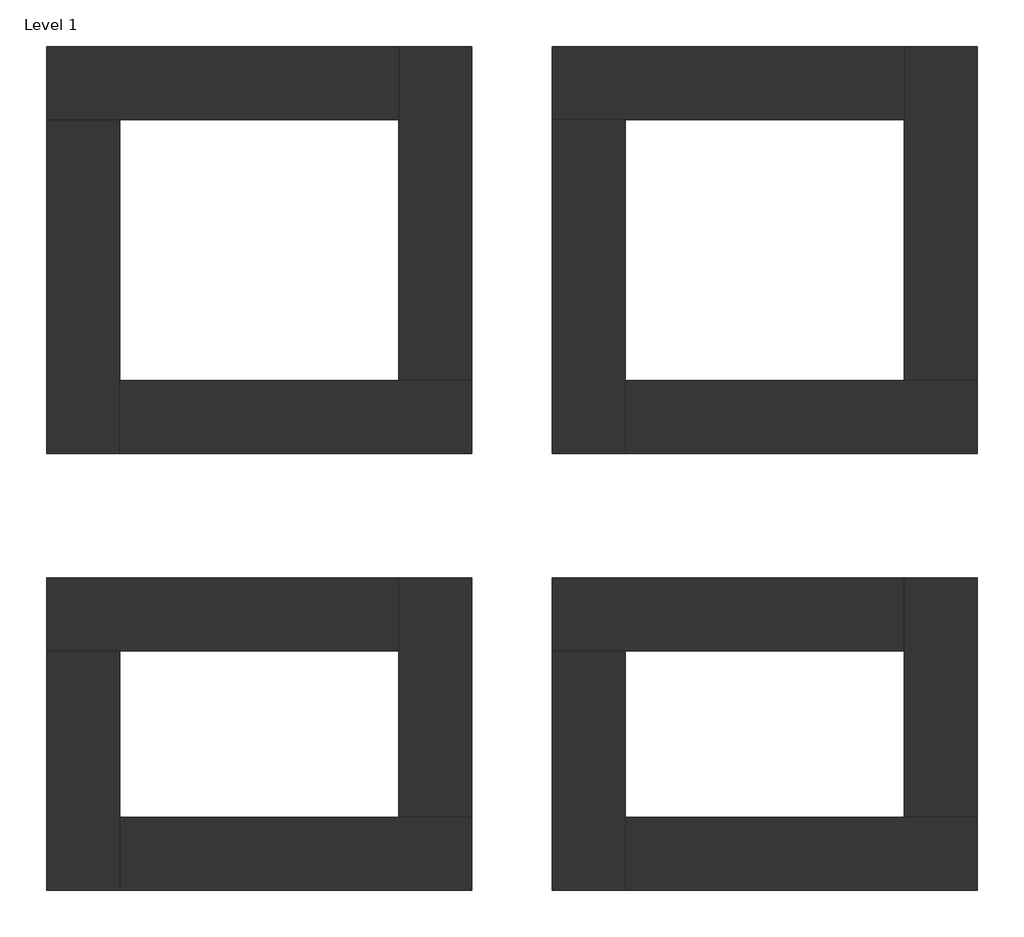
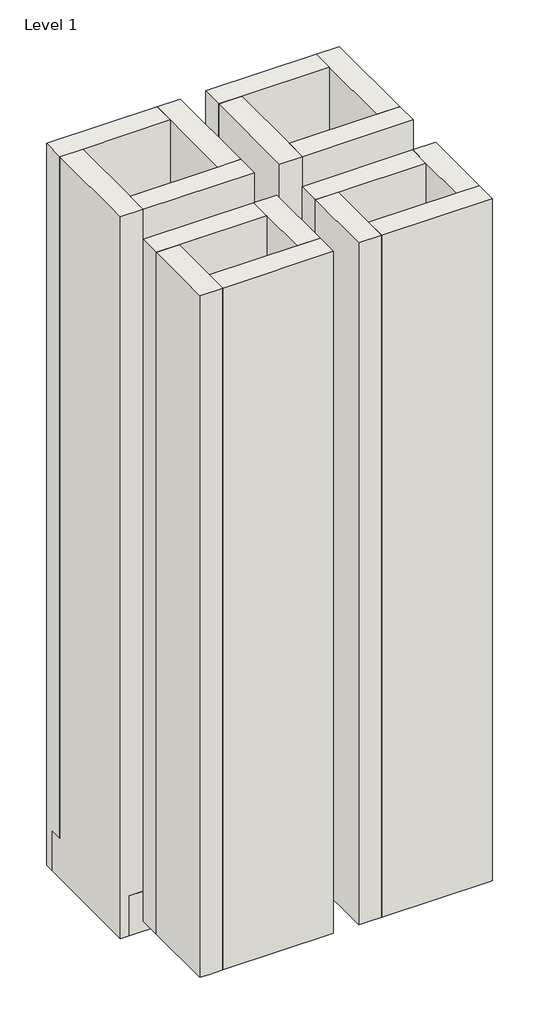
# One storey: 16 walls.
"""IFC4 building model written with IfcOpenShell, lengths in millimetres."""

from ifc_helpers import new_model, si_unit, origin, place, context, project, spatial, faceted_brep, element, save

model = new_model("IFC4")

# Units and contexts
model_context = context("Model", 3, world=origin())
ifc_project = project(units=[si_unit("LENGTHUNIT", "METRE", prefix="MILLI")], contexts=[model_context])

# Site, building, storey
site = spatial("IfcSite", under=ifc_project)
building = spatial("IfcBuilding", under=site)
storey = spatial("IfcBuildingStorey", under=building, Name="Level 1", Elevation=0.0)

# Walls
placement = place(None, origin())
element("IfcWall", 1, ObjectType="Exterior - 3.5\" - Stone", at=placement, inside=storey, context=model_context, shape_type="Brep", body=[
    faceted_brep([(2419.35, 3332.6145134, 0.0), (2584.45, 3332.6145134, 0.0), (3214.884458, 3332.6145134, 0.0), (3214.884458, 3332.6145134, 5181.6), (2584.45, 3332.6145134, 5181.6), (2419.35, 3332.6145134, 5181.6), (2419.35, 3497.7145134, 5181.6), (3214.884458, 3497.7145134, 5181.6), (3214.884458, 3497.7145134, 0.0), (3316.484458, 3497.7145134, 0.0), (3316.484458, 3497.7145134, -304.8), (2419.35, 3497.7145134, -304.8), (2419.35, 3434.2145134, -304.8), (2419.35, 3434.2145134, 0.0), (3214.884458, 3434.2145134, 0.0), (2482.85, 3434.2145134, 0.0), (2482.85, 3434.2145134, -304.8), (3316.484458, 3434.2145134, -304.8), (3316.484458, 3434.2145134, 0.0)], [[[0, 1, 2, 3, 4, 5]], [[6, 7, 8, 9, 10, 11]], [[5, 4, 3, 7, 6]], [[0, 5, 6, 11, 12, 13]], [[3, 2, 14, 8, 7]], [[2, 1, 0, 13, 15, 14]], [[14, 15, 13, 12, 16, 17, 18]], [[17, 16, 12, 11, 10]], [[9, 8, 14, 18]], [[17, 10, 9, 18]]]),
])
element("IfcWall", 2, ObjectType="Exterior - 3.5\" - Stone", at=placement, inside=storey, context=model_context, shape_type="Brep", body=[
    faceted_brep([(2584.45, 2577.820292, 0.0), (2584.45, 2742.920292, 0.0), (2584.45, 3332.6145134, 0.0), (2584.45, 3332.6145134, 5181.6), (2584.45, 2742.920292, 5181.6), (2584.45, 2577.820292, 5181.6), (2419.35, 2577.820292, 5181.6), (2419.35, 3332.6145134, 5181.6), (2419.35, 3332.6145134, 0.0), (2419.35, 3434.2145134, 0.0), (2419.35, 3434.2145134, -304.8), (2419.35, 2577.820292, -304.8), (2482.85, 2577.820292, -304.8), (2482.85, 2577.820292, 0.0), (2482.85, 3332.6145134, 0.0), (2482.85, 2641.320292, 0.0), (2482.85, 2641.320292, -304.8), (2482.85, 3434.2145134, -304.8), (2482.85, 3434.2145134, 0.0)], [[[0, 1, 2, 3, 4, 5]], [[6, 7, 8, 9, 10, 11]], [[5, 4, 3, 7, 6]], [[0, 5, 6, 11, 12, 13]], [[3, 2, 14, 8, 7]], [[2, 1, 0, 13, 15, 14]], [[14, 15, 13, 12, 16, 17, 18]], [[17, 16, 12, 11, 10]], [[9, 8, 14, 18]], [[17, 10, 9, 18]]]),
])
element("IfcWall", 3, ObjectType="Exterior - 3.5\" - Stone", at=placement, inside=storey, context=model_context, shape_type="Brep", body=[
    faceted_brep([(3379.984458, 2742.920292, 0.0), (3214.884458, 2742.920292, 0.0), (2584.45, 2742.920292, 0.0), (2584.45, 2742.920292, 5181.6), (3214.884458, 2742.920292, 5181.6), (3379.984458, 2742.920292, 5181.6), (3379.984458, 2577.820292, 5181.6), (2584.45, 2577.820292, 5181.6), (2584.45, 2577.820292, 0.0), (2482.85, 2577.820292, 0.0), (2482.85, 2577.820292, -304.8), (3379.984458, 2577.820292, -304.8), (3379.984458, 2641.320292, -304.8), (3379.984458, 2641.320292, 0.0), (2584.45, 2641.320292, 0.0), (3316.484458, 2641.320292, 0.0), (3316.484458, 2641.320292, -304.8), (2482.85, 2641.320292, -304.8), (2482.85, 2641.320292, 0.0)], [[[0, 1, 2, 3, 4, 5]], [[6, 7, 8, 9, 10, 11]], [[5, 4, 3, 7, 6]], [[0, 5, 6, 11, 12, 13]], [[3, 2, 14, 8, 7]], [[2, 1, 0, 13, 15, 14]], [[14, 15, 13, 12, 16, 17, 18]], [[17, 16, 12, 11, 10]], [[9, 8, 14, 18]], [[17, 10, 9, 18]]]),
])
element("IfcWall", 4, ObjectType="Exterior - 3.5\" - Stone", at=placement, inside=storey, context=model_context, shape_type="Brep", body=[
    faceted_brep([(3214.884458, 3497.7145134, 0.0), (3214.884458, 3332.6145134, 0.0), (3214.884458, 2742.920292, 0.0), (3214.884458, 2742.920292, 5181.6), (3214.884458, 3332.6145134, 5181.6), (3214.884458, 3497.7145134, 5181.6), (3379.984458, 3497.7145134, 5181.6), (3379.984458, 2742.920292, 5181.6), (3379.984458, 2742.920292, 0.0), (3379.984458, 2641.320292, 0.0), (3379.984458, 2641.320292, -304.8), (3379.984458, 3497.7145134, -304.8), (3316.484458, 3497.7145134, -304.8), (3316.484458, 3497.7145134, 0.0), (3316.484458, 2742.920292, 0.0), (3316.484458, 3434.2145134, 0.0), (3316.484458, 3434.2145134, -304.8), (3316.484458, 2641.320292, -304.8), (3316.484458, 2641.320292, 0.0)], [[[0, 1, 2, 3, 4, 5]], [[6, 7, 8, 9, 10, 11]], [[5, 4, 3, 7, 6]], [[0, 5, 6, 11, 12, 13]], [[3, 2, 14, 8, 7]], [[2, 1, 0, 13, 15, 14]], [[14, 15, 13, 12, 16, 17, 18]], [[17, 16, 12, 11, 10]], [[9, 8, 14, 18]], [[17, 10, 9, 18]]]),
])
element("IfcWall", 5, ObjectType="Exterior - 3.5\" - Stone", at=placement, inside=storey, context=model_context, shape_type="Brep", body=[
    faceted_brep([(2419.35, 2131.615718, 0.0), (2584.45, 2131.615718, 0.0), (3214.884458, 2131.615718, 0.0), (3214.884458, 2131.615718, 5181.6), (2584.45, 2131.615718, 5181.6), (2419.35, 2131.615718, 5181.6), (2419.35, 2296.715718, 0.0), (2419.35, 2296.715718, 5181.6), (3214.884458, 2296.715718, 5181.6), (3214.884458, 2296.715718, 0.0), (2419.35, 2233.215718, 0.0), (3214.884458, 2233.215718, 0.0)], [[[0, 1, 2, 3, 4, 5]], [[6, 7, 8, 9]], [[5, 4, 3, 8, 7]], [[0, 5, 7, 6, 10]], [[3, 2, 11, 9, 8]], [[2, 1, 0, 10, 11]], [[10, 6, 9, 11]]]),
])
element("IfcWall", 6, ObjectType="Exterior - 3.5\" - Stone", at=placement, inside=storey, context=model_context, shape_type="Brep", body=[
    faceted_brep([(2584.45, 1590.4104167, 0.0), (2584.45, 1755.5104167, 0.0), (2584.45, 2131.615718, 0.0), (2584.45, 2131.615718, 5181.6), (2584.45, 1755.5104167, 5181.6), (2584.45, 1590.4104167, 5181.6), (2419.35, 1590.4104167, 0.0), (2419.35, 1590.4104167, 5181.6), (2419.35, 2131.615718, 5181.6), (2419.35, 2131.615718, 0.0), (2482.85, 1590.4104167, 0.0), (2482.85, 2131.615718, 0.0)], [[[0, 1, 2, 3, 4, 5]], [[6, 7, 8, 9]], [[5, 4, 3, 8, 7]], [[0, 5, 7, 6, 10]], [[3, 2, 11, 9, 8]], [[2, 1, 0, 10, 11]], [[10, 6, 9, 11]]]),
])
element("IfcWall", 7, ObjectType="Exterior - 3.5\" - Stone", at=placement, inside=storey, context=model_context, shape_type="Brep", body=[
    faceted_brep([(3379.984458, 1755.5104167, 0.0), (3214.884458, 1755.5104167, 0.0), (2584.45, 1755.5104167, 0.0), (2584.45, 1755.5104167, 5181.6), (3214.884458, 1755.5104167, 5181.6), (3379.984458, 1755.5104167, 5181.6), (3379.984458, 1590.4104167, 0.0), (3379.984458, 1590.4104167, 5181.6), (2584.45, 1590.4104167, 5181.6), (2584.45, 1590.4104167, 0.0), (3379.984458, 1653.9104167, 0.0), (2584.45, 1653.9104167, 0.0)], [[[0, 1, 2, 3, 4, 5]], [[6, 7, 8, 9]], [[5, 4, 3, 8, 7]], [[0, 5, 7, 6, 10]], [[3, 2, 11, 9, 8]], [[2, 1, 0, 10, 11]], [[10, 6, 9, 11]]]),
])
element("IfcWall", 8, ObjectType="Exterior - 3.5\" - Stone", at=placement, inside=storey, context=model_context, shape_type="Brep", body=[
    faceted_brep([(3214.884458, 2296.715718, 0.0), (3214.884458, 2131.615718, 0.0), (3214.884458, 1755.5104167, 0.0), (3214.884458, 1755.5104167, 5181.6), (3214.884458, 2131.615718, 5181.6), (3214.884458, 2296.715718, 5181.6), (3379.984458, 2296.715718, 0.0), (3379.984458, 2296.715718, 5181.6), (3379.984458, 1755.5104167, 5181.6), (3379.984458, 1755.5104167, 0.0), (3316.484458, 2296.715718, 0.0), (3316.484458, 1755.5104167, 0.0)], [[[0, 1, 2, 3, 4, 5]], [[6, 7, 8, 9]], [[5, 4, 3, 8, 7]], [[0, 5, 7, 6, 10]], [[3, 2, 11, 9, 8]], [[2, 1, 0, 10, 11]], [[10, 6, 9, 11]]]),
])
element("IfcWall", 9, ObjectType="Exterior - 3.5\" - Stone", at=placement, inside=storey, context=model_context, shape_type="Brep", body=[
    faceted_brep([(3562.35, 3332.6145134, 0.0), (3727.45, 3332.6145134, 0.0), (4357.884458, 3332.6145134, 0.0), (4357.884458, 3332.6145134, 5181.6), (3727.45, 3332.6145134, 5181.6), (3562.35, 3332.6145134, 5181.6), (3562.35, 3497.7145134, 5181.6), (4357.884458, 3497.7145134, 5181.6), (4357.884458, 3497.7145134, 0.0), (4459.484458, 3497.7145134, 0.0), (4459.484458, 3497.7145134, -304.8), (3562.35, 3497.7145134, -304.8), (3562.35, 3434.2145134, -304.8), (3562.35, 3434.2145134, 0.0), (4357.884458, 3434.2145134, 0.0), (3625.85, 3434.2145134, 0.0), (3625.85, 3434.2145134, -304.8), (4459.484458, 3434.2145134, -304.8), (4459.484458, 3434.2145134, 0.0)], [[[0, 1, 2, 3, 4, 5]], [[6, 7, 8, 9, 10, 11]], [[5, 4, 3, 7, 6]], [[0, 5, 6, 11, 12, 13]], [[3, 2, 14, 8, 7]], [[2, 1, 0, 13, 15, 14]], [[14, 15, 13, 12, 16, 17, 18]], [[17, 16, 12, 11, 10]], [[9, 8, 14, 18]], [[17, 10, 9, 18]]]),
])
element("IfcWall", 10, ObjectType="Exterior - 3.5\" - Stone", at=placement, inside=storey, context=model_context, shape_type="Brep", body=[
    faceted_brep([(3727.45, 2577.820292, 0.0), (3727.45, 2742.920292, 0.0), (3727.45, 3332.6145134, 0.0), (3727.45, 3332.6145134, 5181.6), (3727.45, 2742.920292, 5181.6), (3727.45, 2577.820292, 5181.6), (3562.35, 2577.820292, 5181.6), (3562.35, 3332.6145134, 5181.6), (3562.35, 3332.6145134, 0.0), (3562.35, 3434.2145134, 0.0), (3562.35, 3434.2145134, -304.8), (3562.35, 2577.820292, -304.8), (3625.85, 2577.820292, -304.8), (3625.85, 2577.820292, 0.0), (3625.85, 3332.6145134, 0.0), (3625.85, 2641.320292, 0.0), (3625.85, 2641.320292, -304.8), (3625.85, 3434.2145134, -304.8), (3625.85, 3434.2145134, 0.0)], [[[0, 1, 2, 3, 4, 5]], [[6, 7, 8, 9, 10, 11]], [[5, 4, 3, 7, 6]], [[0, 5, 6, 11, 12, 13]], [[3, 2, 14, 8, 7]], [[2, 1, 0, 13, 15, 14]], [[14, 15, 13, 12, 16, 17, 18]], [[17, 16, 12, 11, 10]], [[9, 8, 14, 18]], [[17, 10, 9, 18]]]),
])
element("IfcWall", 11, ObjectType="Exterior - 3.5\" - Stone", at=placement, inside=storey, context=model_context, shape_type="Brep", body=[
    faceted_brep([(4522.984458, 2742.920292, 0.0), (4357.884458, 2742.920292, 0.0), (3727.45, 2742.920292, 0.0), (3727.45, 2742.920292, 5181.6), (4357.884458, 2742.920292, 5181.6), (4522.984458, 2742.920292, 5181.6), (4522.984458, 2577.820292, 5181.6), (3727.45, 2577.820292, 5181.6), (3727.45, 2577.820292, 0.0), (3625.85, 2577.820292, 0.0), (3625.85, 2577.820292, -304.8), (4522.984458, 2577.820292, -304.8), (4522.984458, 2641.320292, -304.8), (4522.984458, 2641.320292, 0.0), (3727.45, 2641.320292, 0.0), (4459.484458, 2641.320292, 0.0), (4459.484458, 2641.320292, -304.8), (3625.85, 2641.320292, -304.8), (3625.85, 2641.320292, 0.0)], [[[0, 1, 2, 3, 4, 5]], [[6, 7, 8, 9, 10, 11]], [[5, 4, 3, 7, 6]], [[0, 5, 6, 11, 12, 13]], [[3, 2, 14, 8, 7]], [[2, 1, 0, 13, 15, 14]], [[14, 15, 13, 12, 16, 17, 18]], [[17, 16, 12, 11, 10]], [[9, 8, 14, 18]], [[17, 10, 9, 18]]]),
])
element("IfcWall", 12, ObjectType="Exterior - 3.5\" - Stone", at=placement, inside=storey, context=model_context, shape_type="Brep", body=[
    faceted_brep([(4357.884458, 3497.7145134, 0.0), (4357.884458, 3332.6145134, 0.0), (4357.884458, 2742.920292, 0.0), (4357.884458, 2742.920292, 5181.6), (4357.884458, 3332.6145134, 5181.6), (4357.884458, 3497.7145134, 5181.6), (4522.984458, 3497.7145134, 5181.6), (4522.984458, 2742.920292, 5181.6), (4522.984458, 2742.920292, 0.0), (4522.984458, 2641.320292, 0.0), (4522.984458, 2641.320292, -304.8), (4522.984458, 3497.7145134, -304.8), (4459.484458, 3497.7145134, -304.8), (4459.484458, 3497.7145134, 0.0), (4459.484458, 2742.920292, 0.0), (4459.484458, 3434.2145134, 0.0), (4459.484458, 3434.2145134, -304.8), (4459.484458, 2641.320292, -304.8), (4459.484458, 2641.320292, 0.0)], [[[0, 1, 2, 3, 4, 5]], [[6, 7, 8, 9, 10, 11]], [[5, 4, 3, 7, 6]], [[0, 5, 6, 11, 12, 13]], [[3, 2, 14, 8, 7]], [[2, 1, 0, 13, 15, 14]], [[14, 15, 13, 12, 16, 17, 18]], [[17, 16, 12, 11, 10]], [[9, 8, 14, 18]], [[17, 10, 9, 18]]]),
])
element("IfcWall", 13, ObjectType="Exterior - 3.5\" - Stone", at=placement, inside=storey, context=model_context, shape_type="Brep", body=[
    faceted_brep([(3562.35, 2131.615718, 0.0), (3727.45, 2131.615718, 0.0), (4357.884458, 2131.615718, 0.0), (4357.884458, 2131.615718, 5181.6), (3727.45, 2131.615718, 5181.6), (3562.35, 2131.615718, 5181.6), (3562.35, 2296.715718, 0.0), (3562.35, 2296.715718, 5181.6), (4357.884458, 2296.715718, 5181.6), (4357.884458, 2296.715718, 0.0), (3562.35, 2233.215718, 0.0), (4357.884458, 2233.215718, 0.0)], [[[0, 1, 2, 3, 4, 5]], [[6, 7, 8, 9]], [[5, 4, 3, 8, 7]], [[0, 5, 7, 6, 10]], [[3, 2, 11, 9, 8]], [[2, 1, 0, 10, 11]], [[10, 6, 9, 11]]]),
])
element("IfcWall", 14, ObjectType="Exterior - 3.5\" - Stone", at=placement, inside=storey, context=model_context, shape_type="Brep", body=[
    faceted_brep([(3727.45, 1590.4104167, 0.0), (3727.45, 1755.5104167, 0.0), (3727.45, 2131.615718, 0.0), (3727.45, 2131.615718, 5181.6), (3727.45, 1755.5104167, 5181.6), (3727.45, 1590.4104167, 5181.6), (3562.35, 1590.4104167, 0.0), (3562.35, 1590.4104167, 5181.6), (3562.35, 2131.615718, 5181.6), (3562.35, 2131.615718, 0.0), (3625.85, 1590.4104167, 0.0), (3625.85, 2131.615718, 0.0)], [[[0, 1, 2, 3, 4, 5]], [[6, 7, 8, 9]], [[5, 4, 3, 8, 7]], [[0, 5, 7, 6, 10]], [[3, 2, 11, 9, 8]], [[2, 1, 0, 10, 11]], [[10, 6, 9, 11]]]),
])
element("IfcWall", 15, ObjectType="Exterior - 3.5\" - Stone", at=placement, inside=storey, context=model_context, shape_type="Brep", body=[
    faceted_brep([(4522.984458, 1755.5104167, 0.0), (4357.884458, 1755.5104167, 0.0), (3727.45, 1755.5104167, 0.0), (3727.45, 1755.5104167, 5181.6), (4357.884458, 1755.5104167, 5181.6), (4522.984458, 1755.5104167, 5181.6), (4522.984458, 1590.4104167, 0.0), (4522.984458, 1590.4104167, 5181.6), (3727.45, 1590.4104167, 5181.6), (3727.45, 1590.4104167, 0.0), (4522.984458, 1653.9104167, 0.0), (3727.45, 1653.9104167, 0.0)], [[[0, 1, 2, 3, 4, 5]], [[6, 7, 8, 9]], [[5, 4, 3, 8, 7]], [[0, 5, 7, 6, 10]], [[3, 2, 11, 9, 8]], [[2, 1, 0, 10, 11]], [[10, 6, 9, 11]]]),
])
element("IfcWall", 16, ObjectType="Exterior - 3.5\" - Stone", at=placement, inside=storey, context=model_context, shape_type="Brep", body=[
    faceted_brep([(4357.884458, 2296.715718, 0.0), (4357.884458, 2131.615718, 0.0), (4357.884458, 1755.5104167, 0.0), (4357.884458, 1755.5104167, 5181.6), (4357.884458, 2131.615718, 5181.6), (4357.884458, 2296.715718, 5181.6), (4522.984458, 2296.715718, 0.0), (4522.984458, 2296.715718, 5181.6), (4522.984458, 1755.5104167, 5181.6), (4522.984458, 1755.5104167, 0.0), (4459.484458, 2296.715718, 0.0), (4459.484458, 1755.5104167, 0.0)], [[[0, 1, 2, 3, 4, 5]], [[6, 7, 8, 9]], [[5, 4, 3, 8, 7]], [[0, 5, 7, 6, 10]], [[3, 2, 11, 9, 8]], [[2, 1, 0, 10, 11]], [[10, 6, 9, 11]]]),
])

save(model, "model.ifc")
